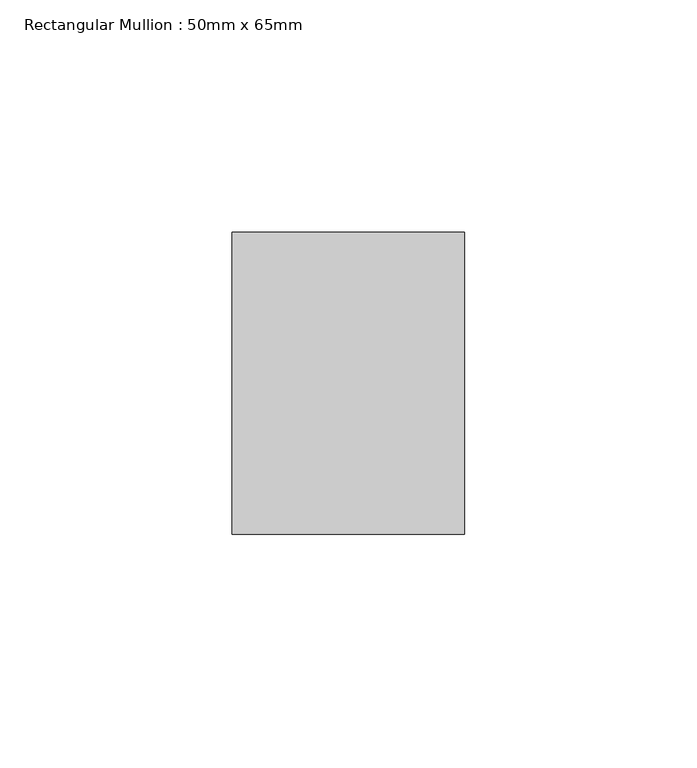
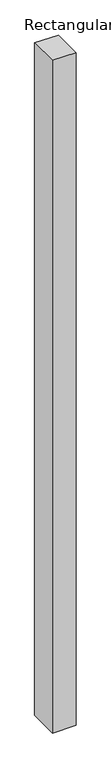
"""IFC4 building model written with IfcOpenShell, lengths in millimetres: member geometry, Rectangular Mullion : 50mm x 65mm."""

from ifc_helpers import new_model, si_unit, origin, place, context, project, spatial, faceted_brep, source, transform, mapped, element, save


def rectangular_mullion_50mm_x_65mm_03cd4b4d(model_context):
    return source(origin(), model_context, "Body", "Brep", [
        faceted_brep([(-25.0, 32.5, -0.2664469), (25.0, 32.5, -0.2664492), (25.0, 32.5, -1499.6461839), (-25.0, 32.5, -1499.646187), (-25.0, -32.5, 0.2664492), (-25.0, -32.5, -1500.3535282), (25.0, -32.5, 0.2664469), (25.0, -32.5, -1500.3535251)], [[[0, 1, 2, 3]], [[4, 0, 3, 5]], [[6, 4, 5, 7]], [[1, 6, 7, 2]], [[1, 0, 4, 6]], [[2, 7, 5, 3]]]),
    ])


if __name__ == "__main__":
    model = new_model("IFC4")
    model_context = context("Model", 3, world=origin())
    ifc_project = project(units=[si_unit("LENGTHUNIT", "METRE", prefix="MILLI")], contexts=[model_context])
    site = spatial("IfcSite", under=ifc_project)
    building = spatial("IfcBuilding", under=site)
    placement = place(None, origin())
    rectangular_mullion_50mm_x_65mm_shape = rectangular_mullion_50mm_x_65mm_03cd4b4d(model_context)
    element("IfcMember", 1, ObjectType="Rectangular Mullion : 50mm x 65mm", at=placement, inside=building, context=model_context, shape_type="MappedRepresentation", body=[
        mapped(rectangular_mullion_50mm_x_65mm_shape, transform((0.0, 0.0, 0.0), x_axis=(1.0, 0.0, 0.0), y_axis=(0.0, 1.0, 0.0), z_axis=(0.0, 0.0, 1.0))),
    ])
    save(model, "model.ifc")
